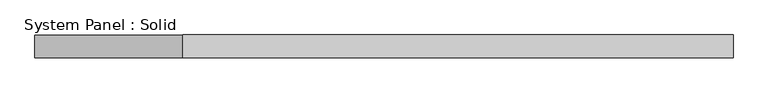
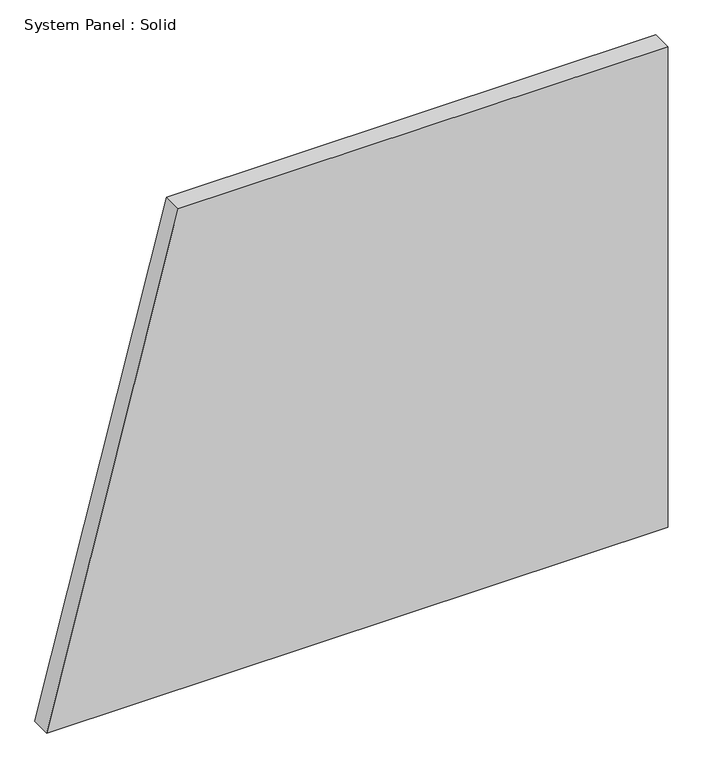
"""IFC4 building model written with IfcOpenShell, lengths in millimetres: plate geometry, System Panel : Solid."""

from ifc_helpers import new_model, si_unit, frame, origin, place, context, project, spatial, polyline, outline, extrude, source, transform, mapped, element, save


def system_panel_solid_b78f8040(model_context):
    return source(origin(), model_context, "Body", "SweptSolid", [
        extrude(outline(polyline([(0.0, -917.1501977), (0.0, 917.1501977), (1500.0, 917.1501977), (1500.0, -528.5836628), (0.0, -917.1501977)])), frame((0.0, -10.5, 0.0), z_axis=(0.0, 1.0, 0.0), x_axis=(0.0, 0.0, 1.0)), (0.0, 0.0, 1.0), 60.0),
    ])


if __name__ == "__main__":
    model = new_model("IFC4")
    model_context = context("Model", 3, world=origin())
    ifc_project = project(units=[si_unit("LENGTHUNIT", "METRE", prefix="MILLI")], contexts=[model_context])
    site = spatial("IfcSite", under=ifc_project)
    building = spatial("IfcBuilding", under=site)
    placement = place(None, origin())
    system_panel_solid_shape = system_panel_solid_b78f8040(model_context)
    element("IfcPlate", 1, ObjectType="System Panel : Solid", at=placement, inside=building, context=model_context, shape_type="MappedRepresentation", body=[
        mapped(system_panel_solid_shape, transform((0.0, 0.0, 0.0), x_axis=(1.0, 0.0, 0.0), y_axis=(0.0, 1.0, 0.0), z_axis=(0.0, 0.0, 1.0))),
    ])
    save(model, "model.ifc")
